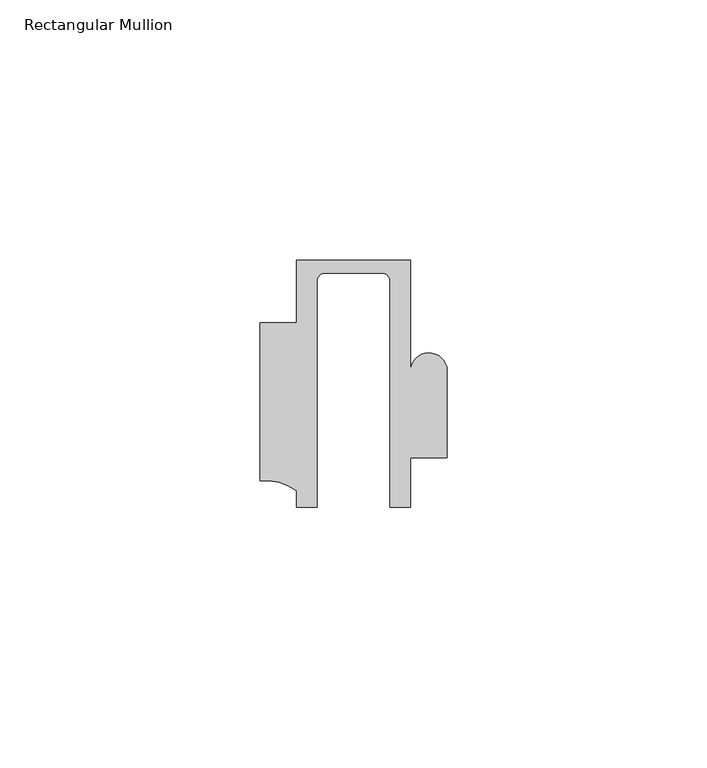
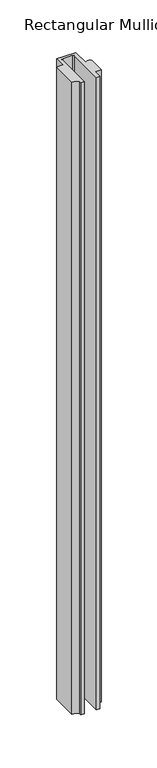
"""IFC4 building model written with IfcOpenShell, lengths in millimetres: member geometry, Rectangular Mullion."""

from ifc_helpers import new_model, si_unit, frame, origin, place, context, project, spatial, polyline, circle_curve, source, transform, mapped, element, save
from ifc_brep_helpers import plane_surface, cylinder_surface, revolved_surface, advanced_brep


def rectangular_mullion_39cb0fcd(model_context):
    return source(origin(), model_context, "Body", "AdvancedBrep", [
        advanced_brep(
        [(-11.0000151, 27.0, 0.0), (-11.0000151, 15.0006281, 0.0), (-17.9999542, 15.0006281, 0.0), (-17.9999542, -15.3797475, 0.0), (-10.9999994, -17.3125325, 0.0), (-10.9999994, -20.5, 0.0), (-6.9999853, -20.5, 0.0), (-6.9999853, 22.9976091, 0.0), (-5.4999873, 24.5, 0.0), (5.4999872, 24.5, 0.0), (6.9999849, 22.9973451, 0.0), (6.9999849, -20.5, 0.0), (11.0000151, -20.5, 0.0), (11.0000151, -10.9797475, 0.0), (17.9999542, -10.9797475, 0.0), (17.9999542, 5.684606, 0.0), (11.001071, 5.5848769, 0.0), (11.001071, 27.0, 0.0), (-11.0000151, 27.0, -764.0501522), (11.001071, 27.0, -764.0501522), (11.001071, 5.5848769, -764.0501522), (17.9999091, 5.6750512, -764.0501522), (17.9999542, -10.9797475, -764.0501522), (11.0000151, -10.9797475, -764.0501522), (11.0000151, -20.5, -764.0501522), (6.9999849, -20.5, -764.0501522), (6.9999849, 22.9973451, -764.0501522), (5.4999872, 24.5, -764.0501522), (-5.4999873, 24.5, -764.0501522), (-6.9999853, 22.9976091, -764.0501522), (-6.9999853, -20.5, -764.0501522), (-10.9999994, -20.5, -764.0501522), (-10.9999994, -17.3125325, -764.0501522), (-17.9999542, -15.3797475, -764.0501522), (-17.9999542, 15.0006281, -764.0501522), (-11.0000151, 15.0006281, -764.0501522)],
        [
            (0, 1),
            (1, 2),
            (2, 3),
            (3, 4, circle_curve(frame((-17.109817, -25.7981812, 0.0), z_axis=(0.0, 0.0, -1.0), x_axis=(0.0, 1.0, 0.0)), 10.4563907)),
            (4, 5),
            (5, 6),
            (6, 7),
            (7, 8, circle_curve(frame((-5.4999873, 23.0, 0.0), z_axis=(0.0, 0.0, -1.0), x_axis=(2.7320010112268853e-08, 0.9999999999999997, 0.0)), 1.5)),
            (8, 9),
            (9, 10, circle_curve(frame((5.4999872, 23.0, 0.0), z_axis=(0.0, 0.0, -1.0), x_axis=(0.9999999999999986, -5.463622857820516e-08, 0.0)), 1.5)),
            (10, 11),
            (11, 12),
            (12, 13),
            (13, 14),
            (14, 15),
            (15, 16, circle_curve(frame((14.4999091, 5.6750512, 0.0), z_axis=(0.0, 0.0, 1.0), x_axis=(-0.9999826028573957, -0.005898642432633649, 0.0)), 3.5)),
            (16, 17),
            (17, 0),
            (18, 19),
            (19, 20),
            (20, 21, circle_curve(frame((14.4999091, 5.6750512, -764.0501522), z_axis=(0.0, 0.0, -1.0), x_axis=(-0.9999826028573957, -0.005898642432633649, 0.0)), 3.5)),
            (21, 22),
            (22, 23),
            (23, 24),
            (24, 25),
            (25, 26),
            (26, 27, circle_curve(frame((5.4999872, 23.0, -764.0501522), z_axis=(0.0, 0.0, 1.0), x_axis=(0.9999999999999986, -5.463622857820516e-08, 0.0)), 1.5)),
            (27, 28),
            (28, 29, circle_curve(frame((-5.4999873, 23.0, -764.0501522), z_axis=(0.0, 0.0, 1.0), x_axis=(2.7320010112268853e-08, 0.9999999999999997, 0.0)), 1.5)),
            (29, 30),
            (30, 31),
            (31, 32),
            (32, 33, circle_curve(frame((-17.109817, -25.7981812, -764.0501522), z_axis=(0.0, 0.0, 1.0), x_axis=(0.0, 1.0, 0.0)), 10.4563907)),
            (33, 34),
            (34, 35),
            (35, 18),
            (0, 18),
            (35, 1),
            (34, 2),
            (33, 3),
            (32, 4),
            (31, 5),
            (30, 6),
            (29, 7),
            (28, 8),
            (27, 9),
            (26, 10),
            (25, 11),
            (24, 12),
            (23, 13),
            (22, 14),
            (21, 15),
            (20, 16),
            (19, 17),
        ],
        [
            plane_surface(frame((0.0, -29.1551636, 0.0), z_axis=(0.0, 0.0, 1.0), x_axis=(-1.0, 0.0, 0.0))),
            plane_surface(frame((0.0, -29.1551636, -764.0501522), z_axis=(0.0, 0.0, -1.0), x_axis=(-1.0, 0.0, 0.0))),
            plane_surface(frame((-11.0000151, 27.0, 0.0), z_axis=(-1.0, 0.0, 0.0), x_axis=(0.0, 0.0, -1.0))),
            plane_surface(frame((-11.0000151, 15.0006281, 0.0), z_axis=(0.0, 1.0, 0.0), x_axis=(0.0, 0.0, -1.0))),
            plane_surface(frame((-17.9999542, 15.0006281, 0.0), z_axis=(-1.0, 0.0, 0.0), x_axis=(0.0, 0.0, -1.0))),
            revolved_surface(polyline([(-17.109817, -15.341790499999998, -764.0501522), (-17.109817, -15.341790499999998, 0.0)]), (-17.109817, -25.7981812, 0.0), (0.0, 0.0, -1.0)),
            plane_surface(frame((-10.9999994, -17.3125325, 0.0), z_axis=(-1.0, 0.0, 0.0), x_axis=(0.0, 0.0, -1.0))),
            plane_surface(frame((-10.9999994, -20.5, 0.0), z_axis=(0.0, -1.0, 0.0), x_axis=(0.0, 0.0, -1.0))),
            plane_surface(frame((-6.9999853, -20.5, 0.0), z_axis=(1.0, 0.0, 0.0), x_axis=(0.0, 0.0, -1.0))),
            revolved_surface(polyline([(-5.499987259019985, 24.5, -764.0501522), (-5.499987259019985, 24.5, 0.0)]), (-5.4999873, 23.0, 0.0), (0.0, 0.0, -1.0)),
            plane_surface(frame((-5.4999873, 24.5, 0.0), z_axis=(0.0, -1.0, 0.0), x_axis=(0.0, 0.0, -1.0))),
            revolved_surface(polyline([(6.999987199999998, 22.999999918045656, -764.0501522), (6.999987199999998, 22.999999918045656, 0.0)]), (5.4999872, 23.0, 0.0), (0.0, 0.0, -1.0)),
            plane_surface(frame((6.9999849, 22.9973451, 0.0), z_axis=(-1.0, 0.0, 0.0), x_axis=(0.0, 0.0, -1.0))),
            plane_surface(frame((6.9999849, -20.5, 0.0), z_axis=(0.0, -1.0, 0.0), x_axis=(0.0, 0.0, -1.0))),
            plane_surface(frame((11.0000151, -20.5, 0.0), z_axis=(1.0, 0.0, 0.0), x_axis=(0.0, 0.0, -1.0))),
            plane_surface(frame((11.0000151, -10.9797475, 0.0), z_axis=(0.0, -1.0, 0.0), x_axis=(0.0, 0.0, -1.0))),
            plane_surface(frame((17.9999542, -10.9797475, 0.0), z_axis=(1.0, 0.0, 0.0), x_axis=(0.0, 0.0, -1.0))),
            cylinder_surface(frame((14.4999091, 5.6750512, 0.0), z_axis=(0.0, 0.0, 1.0), x_axis=(-0.9999826028573957, -0.005898642432633649, 0.0)), 3.5),
            plane_surface(frame((11.001071, 5.5848769, 0.0), z_axis=(1.0, 0.0, 0.0), x_axis=(0.0, 0.0, -1.0))),
            plane_surface(frame((11.001071, 27.0, 0.0), z_axis=(0.0, 1.0, 0.0), x_axis=(0.0, 0.0, -1.0))),
        ],
        [
            (0, [[1, 2, 3, 4, 5, 6, 7, 8, 9, 10, 11, 12, 13, 14, 15, 16, 17, 18]]),
            (1, [[19, 20, 21, 22, 23, 24, 25, 26, 27, 28, 29, 30, 31, 32, 33, 34, 35, 36]]),
            (2, [[-1, 37, -36, 38]]),
            (3, [[-2, -38, -35, 39]]),
            (4, [[-3, -39, -34, 40]]),
            (5, [[-4, -40, -33, 41]]),
            (6, [[-5, -41, -32, 42]]),
            (7, [[-6, -42, -31, 43]]),
            (8, [[-7, -43, -30, 44]]),
            (9, [[-8, -44, -29, 45]]),
            (10, [[-9, -45, -28, 46]]),
            (11, [[-10, -46, -27, 47]]),
            (12, [[-11, -47, -26, 48]]),
            (13, [[-12, -48, -25, 49]]),
            (14, [[-13, -49, -24, 50]]),
            (15, [[-14, -50, -23, 51]]),
            (16, [[-15, -51, -22, 52]]),
            (17, [[-16, -52, -21, 53]]),
            (18, [[-17, -53, -20, 54]]),
            (19, [[-18, -54, -19, -37]]),
        ],
    ),
    ])


if __name__ == "__main__":
    model = new_model("IFC4")
    model_context = context("Model", 3, world=origin())
    ifc_project = project(units=[si_unit("LENGTHUNIT", "METRE", prefix="MILLI")], contexts=[model_context])
    site = spatial("IfcSite", under=ifc_project)
    building = spatial("IfcBuilding", under=site)
    placement = place(None, origin())
    rectangular_mullion_shape = rectangular_mullion_39cb0fcd(model_context)
    element("IfcMember", 1, ObjectType="Rectangular Mullion", at=placement, inside=building, context=model_context, shape_type="MappedRepresentation", body=[
        mapped(rectangular_mullion_shape, transform((0.0, 0.0, 0.0), x_axis=(1.0, 0.0, 0.0), y_axis=(0.0, 1.0, 0.0), z_axis=(0.0, 0.0, 1.0))),
    ])
    save(model, "model.ifc")
